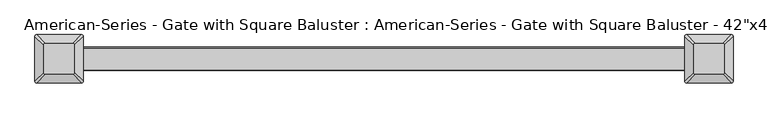
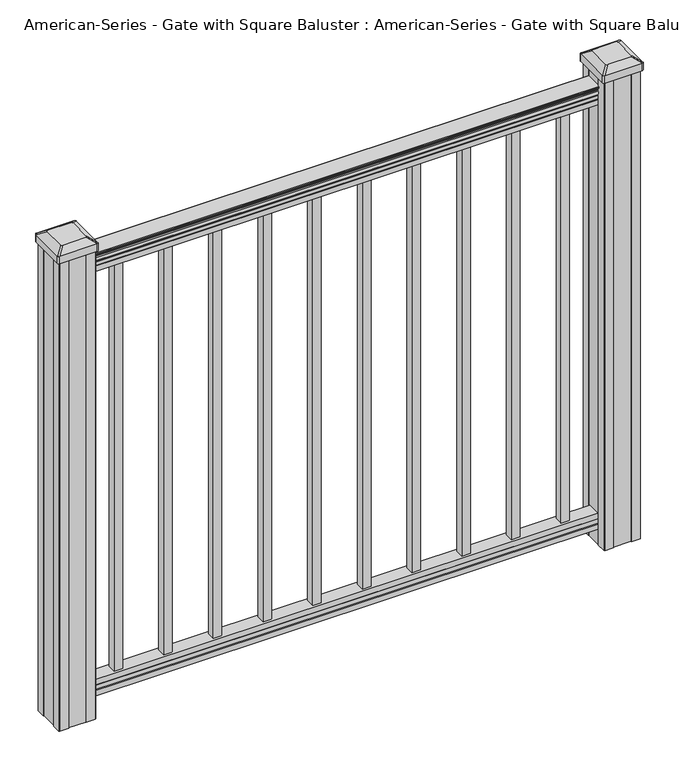
"""IFC4 building model written with IfcOpenShell, lengths in millimetres: proxy geometry."""

from ifc_helpers import new_model, si_unit, point, frame, frame_2d, origin, place, context, project, spatial, polyline, circle_curve, trimmed, segment, composite_curve, outline, extrude, source, transform, mapped, element, save
from ifc_brep_helpers import plane_surface, extruded_surface, advanced_brep


def proxy_e8b5caea(model_context):
    return source(origin(), model_context, "Body", "SolidModel", [
        extrude(outline(polyline([(398.4625, 9.525), (398.4625, -9.525), (379.4125, -9.525), (379.4125, 9.525), (398.4625, 9.525)])), frame((0.0, 0.0, 101.6), z_axis=(0.0, 0.0, 1.0), x_axis=(1.0, 0.0, 0.0)), (0.0, 0.0, 1.0), 965.2),
        extrude(outline(polyline([(287.3375, 9.525), (287.3375, -9.525), (268.2875, -9.525), (268.2875, 9.525), (287.3375, 9.525)])), frame((0.0, 0.0, 101.6), z_axis=(0.0, 0.0, 1.0), x_axis=(1.0, 0.0, 0.0)), (0.0, 0.0, 1.0), 965.2),
        extrude(outline(polyline([(176.2125, 9.525), (176.2125, -9.525), (157.1625, -9.525), (157.1625, 9.525), (176.2125, 9.525)])), frame((0.0, 0.0, 101.6), z_axis=(0.0, 0.0, 1.0), x_axis=(1.0, 0.0, 0.0)), (0.0, 0.0, 1.0), 965.2),
        extrude(outline(polyline([(65.0875, 9.525), (65.0875, -9.525), (46.0375, -9.525), (46.0375, 9.525), (65.0875, 9.525)])), frame((0.0, 0.0, 101.6), z_axis=(0.0, 0.0, 1.0), x_axis=(1.0, 0.0, 0.0)), (0.0, 0.0, 1.0), 965.2),
        extrude(outline(composite_curve([segment(polyline([(1090.8043297, 17.4328287), (1092.692412, 17.4328287)]), True, "CONTINUOUS"), segment(trimmed(circle_curve(frame_2d((1098.4506383, 11.1180755)), 8.545951), [point((1092.692412, 17.4328287))], [point((1094.2546695, 18.563015))], False, "CARTESIAN"), True, "CONTINUOUS"), segment(trimmed(circle_curve(frame_2d((1097.8636577, 11.5551384)), 7.882584), [point((1094.2546695, 18.563015))], [point((1101.4726458, 18.563015))], False, "CARTESIAN"), True, "CONTINUOUS"), segment(trimmed(circle_curve(frame_2d((1103.7112527, 22.0684625)), 4.1592695), [point((1101.4726458, 18.563015))], [point((1103.9060812, 17.9137586))], True, "CARTESIAN"), True, "CONTINUOUS"), segment(trimmed(circle_curve(frame_2d((1103.6508864, 23.3557691)), 5.4479907), [point((1103.9060812, 17.9137586))], [point((1108.2362083, 20.4137586))], True, "CARTESIAN"), True, "CONTINUOUS"), segment(trimmed(circle_curve(frame_2d((1108.233395, 22.1226107)), 1.7088543), [point((1108.2362083, 20.4137586))], [point((1109.9157972, 21.8231011))], True, "CARTESIAN"), True, "CONTINUOUS"), segment(trimmed(circle_curve(frame_2d((1111.0205318, 20.5057106)), 1.7192895), [point((1109.9157972, 21.8231011))], [point((1111.0205318, 22.2250001))], False, "CARTESIAN"), True, "CONTINUOUS"), segment(polyline([(1111.0205318, 22.2250001), (1112.3608158, 22.225)]), True, "CONTINUOUS"), segment(trimmed(circle_curve(frame_2d((1112.3608158, 20.6715528)), 1.5534472), [point((1112.3608158, 22.225))], [point((1113.914263, 20.6715528))], False, "CARTESIAN"), True, "CONTINUOUS"), segment(polyline([(1113.914263, 20.6715528), (1113.914263, -20.6715528)]), True, "CONTINUOUS"), segment(trimmed(circle_curve(frame_2d((1112.3608158, -20.6715528)), 1.5534472), [point((1113.914263, -20.6715528))], [point((1112.3608158, -22.225))], False, "CARTESIAN"), True, "CONTINUOUS"), segment(polyline([(1112.3608158, -22.225), (1111.0205318, -22.225)]), True, "CONTINUOUS"), segment(trimmed(circle_curve(frame_2d((1111.0205318, -20.5057106)), 1.7192895), [point((1111.0205318, -22.225))], [point((1109.9157972, -21.8231011))], False, "CARTESIAN"), True, "CONTINUOUS"), segment(trimmed(circle_curve(frame_2d((1108.233395, -22.1226107)), 1.7088543), [point((1109.9157972, -21.8231011))], [point((1108.2362083, -20.4137586))], True, "CARTESIAN"), True, "CONTINUOUS"), segment(trimmed(circle_curve(frame_2d((1103.6508864, -23.3557691)), 5.4479907), [point((1108.2362083, -20.4137586))], [point((1103.9060812, -17.9137586))], True, "CARTESIAN"), True, "CONTINUOUS"), segment(trimmed(circle_curve(frame_2d((1103.7112527, -22.0684625)), 4.1592695), [point((1103.9060812, -17.9137586))], [point((1101.4726458, -18.563015))], True, "CARTESIAN"), True, "CONTINUOUS"), segment(trimmed(circle_curve(frame_2d((1097.8636577, -11.5551384)), 7.882584), [point((1101.4726458, -18.563015))], [point((1094.2546695, -18.563015))], False, "CARTESIAN"), True, "CONTINUOUS"), segment(trimmed(circle_curve(frame_2d((1098.4506383, -11.1180755)), 8.545951), [point((1094.2546695, -18.563015))], [point((1092.692412, -17.4328287))], False, "CARTESIAN"), True, "CONTINUOUS"), segment(polyline([(1092.692412, -17.4328287), (1090.8043297, -17.4328287)]), True, "CONTINUOUS"), segment(trimmed(circle_curve(frame_2d((1090.8043297, -16.1459144)), 1.2869144), [point((1090.8043297, -17.4328287))], [point((1090.8043297, -14.859))], False, "CARTESIAN"), True, "CONTINUOUS"), segment(polyline([(1090.8043297, -14.859), (1080.3048283, -14.859), (1079.2888283, -15.875), (1066.8, -15.875), (1066.8, 15.875), (1079.131013, 15.875), (1080.147013, 14.859), (1090.8043297, 14.859)]), True, "CONTINUOUS"), segment(trimmed(circle_curve(frame_2d((1090.8043297, 16.1459144)), 1.2869144), [point((1090.8043297, 14.859))], [point((1090.8043297, 17.4328287))], False, "CARTESIAN"), True, "CONTINUOUS")], self_intersect=False)), frame((609.6, 0.0, 0.0), z_axis=(-1.0, 0.0, 0.0), x_axis=(0.0, 0.0, 1.0)), (0.0, 0.0, 1.0), 1219.2),
        extrude(outline(polyline([(-15.9124869, 76.0541976), (-14.8964869, 77.3546183), (-14.8964869, 87.7141717), (-15.9124869, 89.0624492), (-15.9124869, 101.5958781), (15.8375131, 101.5958781), (15.8375131, 89.0458024), (14.8215131, 87.6975248), (14.8215131, 77.3858283), (15.8375131, 76.0375508), (15.8375131, 63.5), (-15.9124869, 63.5), (-15.9124869, 76.0541976)])), frame((-609.6, 0.0, 0.0), z_axis=(1.0, 0.0, 0.0), x_axis=(0.0, 1.0, 0.0)), (0.0, 0.0, 1.0), 1219.2),
        advanced_brep(
        [(583.803125, 28.971875, 1165.225), (580.628125, 25.796875, 1165.225), (580.628125, -25.796875, 1165.225), (583.803125, -28.971875, 1165.225), (635.396875, -28.971875, 1165.225), (638.571875, -25.796875, 1165.225), (638.571875, 25.796875, 1165.225), (635.396875, 28.971875, 1165.225), (567.53125, 45.24375, 1153.922), (651.66875, 45.24375, 1153.922), (654.84375, 42.06875, 1153.922), (654.84375, -42.06875, 1153.922), (651.66875, -45.24375, 1153.922), (567.53125, -45.24375, 1153.922), (564.35625, -42.06875, 1153.922), (564.35625, 42.06875, 1153.922)],
        [
            (0, 1, circle_curve(frame((583.803125, 25.796875, 1165.225), z_axis=(0.0, 0.0, 1.0), x_axis=(0.0, -1.0, 0.0)), 3.175)),
            (1, 2),
            (2, 3, circle_curve(frame((583.803125, -25.796875, 1165.225), z_axis=(0.0, 0.0, 1.0), x_axis=(0.0, -1.0, 0.0)), 3.175)),
            (3, 4),
            (4, 5, circle_curve(frame((635.396875, -25.796875, 1165.225), z_axis=(0.0, 0.0, 1.0), x_axis=(0.0, -1.0, 0.0)), 3.175)),
            (5, 6),
            (6, 7, circle_curve(frame((635.396875, 25.796875, 1165.225), z_axis=(0.0, 0.0, 1.0), x_axis=(0.0, -1.0, 0.0)), 3.175)),
            (7, 0),
            (8, 9),
            (9, 10, circle_curve(frame((651.66875, 42.06875, 1153.922), z_axis=(0.0, 0.0, -1.0), x_axis=(0.0, -1.0, 0.0)), 3.175)),
            (10, 11),
            (11, 12, circle_curve(frame((651.66875, -42.06875, 1153.922), z_axis=(0.0, 0.0, -1.0), x_axis=(0.0, -1.0, 0.0)), 3.175)),
            (12, 13),
            (13, 14, circle_curve(frame((567.53125, -42.06875, 1153.922), z_axis=(0.0, 0.0, -1.0), x_axis=(0.0, -1.0, 0.0)), 3.175)),
            (14, 15),
            (15, 8, circle_curve(frame((567.53125, 42.06875, 1153.922), z_axis=(0.0, 0.0, -1.0), x_axis=(0.0, -1.0, 0.0)), 3.175)),
            (15, 1),
            (0, 8),
            (14, 2),
            (13, 3),
            (12, 4),
            (11, 5),
            (10, 6),
            (9, 7),
        ],
        [
            plane_surface(frame((609.6, 0.0, 1165.225), z_axis=(0.0, 0.0, 1.0), x_axis=(-1.0, 0.0, 0.0))),
            plane_surface(frame((609.6, 0.0, 1153.922), z_axis=(0.0, 0.0, -1.0), x_axis=(-1.0, 0.0, 0.0))),
            extruded_surface(trimmed(circle_curve(frame((567.53125, 42.06875, 1153.922), z_axis=(0.0, 0.0, 1.0), x_axis=(0.0, -1.0, 0.0)), 3.175), [point((567.53125, 45.24375, 1153.922))], [point((564.35625, 42.06875, 1153.922))], True, "CARTESIAN"), (16.271875000000023, -16.271875, 11.302999999999884), 25.637972638866128),
            plane_surface(frame((564.35625, 0.0, 1153.922), z_axis=(-0.5705009161540777, 0.0, 0.8212969649690409), x_axis=(0.0, -1.0, 0.0))),
            extruded_surface(trimmed(circle_curve(frame((567.53125, -42.06875, 1153.922), z_axis=(0.0, 0.0, 1.0), x_axis=(0.0, -1.0, 0.0)), 3.175), [point((564.35625, -42.06875, 1153.922))], [point((567.53125, -45.24375, 1153.922))], True, "CARTESIAN"), (16.271875000000023, 16.271875, 11.302999999999884), 25.637972638866128),
            plane_surface(frame((609.6, -45.24375, 1153.922), z_axis=(0.0, -0.5705009161540291, 0.8212969649690747), x_axis=(1.0, 0.0, 0.0))),
            extruded_surface(trimmed(circle_curve(frame((651.66875, -42.06875, 1153.922), z_axis=(0.0, 0.0, 1.0), x_axis=(0.0, -1.0, 0.0)), 3.175), [point((651.66875, -45.24375, 1153.922))], [point((654.84375, -42.06875, 1153.922))], True, "CARTESIAN"), (-16.271875000000023, 16.271875, 11.302999999999884), 25.637972638866128),
            plane_surface(frame((654.84375, 0.0, 1153.922), z_axis=(0.5705009161540143, 0.0, 0.821296964969085), x_axis=(0.0, 1.0, 0.0))),
            extruded_surface(trimmed(circle_curve(frame((651.66875, 42.06875, 1153.922), z_axis=(0.0, 0.0, 1.0), x_axis=(0.0, -1.0, 0.0)), 3.175), [point((654.84375, 42.06875, 1153.922))], [point((651.66875, 45.24375, 1153.922))], True, "CARTESIAN"), (-16.271875000000023, -16.271875, 11.302999999999884), 25.637972638866128),
            plane_surface(frame((609.6, 45.24375, 1153.922), z_axis=(0.0, 0.570500916154034, 0.8212969649690713), x_axis=(-1.0, 0.0, 0.0))),
        ],
        [
            (0, [[1, 2, 3, 4, 5, 6, 7, 8]]),
            (1, [[9, 10, 11, 12, 13, 14, 15, 16]]),
            (2, [[-16, 17, -1, 18]]),
            (3, [[-15, 19, -2, -17]]),
            (4, [[-14, 20, -3, -19]]),
            (5, [[-13, 21, -4, -20]]),
            (6, [[-12, 22, -5, -21]]),
            (7, [[-11, 23, -6, -22]]),
            (8, [[-10, 24, -7, -23]]),
            (9, [[-9, -18, -8, -24]]),
        ],
    ),
        extrude(outline(composite_curve([segment(polyline([(567.53125, 45.24375), (651.66875, 45.24375)]), True, "CONTINUOUS"), segment(trimmed(circle_curve(frame_2d((651.66875, 42.06875)), 3.175), [point((651.66875, 45.24375))], [point((654.84375, 42.06875))], False, "CARTESIAN"), True, "CONTINUOUS"), segment(polyline([(654.84375, 42.06875), (654.84375, -42.06875)]), True, "CONTINUOUS"), segment(trimmed(circle_curve(frame_2d((651.66875, -42.06875)), 3.175), [point((654.84375, -42.06875))], [point((651.66875, -45.24375))], False, "CARTESIAN"), True, "CONTINUOUS"), segment(polyline([(651.66875, -45.24375), (567.53125, -45.24375)]), True, "CONTINUOUS"), segment(trimmed(circle_curve(frame_2d((567.53125, -42.06875)), 3.175), [point((567.53125, -45.24375))], [point((564.35625, -42.06875))], False, "CARTESIAN"), True, "CONTINUOUS"), segment(polyline([(564.35625, -42.06875), (564.35625, 42.06875)]), True, "CONTINUOUS"), segment(trimmed(circle_curve(frame_2d((567.53125, 42.06875)), 3.175), [point((564.35625, 42.06875))], [point((567.53125, 45.24375))], False, "CARTESIAN"), True, "CONTINUOUS")], self_intersect=False)), frame((0.0, 0.0, 1136.65), z_axis=(0.0, 0.0, 1.0), x_axis=(1.0, 0.0, 0.0)), (0.0, 0.0, 1.0), 17.272),
        extrude(outline(polyline([(569.9125, 41.275), (589.534, 41.275), (590.296, 39.6875), (628.904, 39.6875), (629.666, 41.275), (649.2875, 41.275), (650.875, 39.6875), (650.875, 20.066), (649.2875, 19.304), (649.2875, -19.304), (650.875, -20.066), (650.875, -39.6875), (649.2875, -41.275), (629.666, -41.275), (628.904, -39.6875), (590.296, -39.6875), (589.534, -41.275), (569.9125, -41.275), (568.325, -39.6875), (568.325, -20.066), (569.9125, -19.304), (569.9125, 19.304), (568.325, 20.066), (568.325, 39.6875), (569.9125, 41.275)])), frame((0.0, 0.0, 28.575), z_axis=(0.0, 0.0, 1.0), x_axis=(1.0, 0.0, 0.0)), (0.0, 0.0, 1.0), 1108.075),
        advanced_brep(
        [(-635.396875, 28.971875, 1165.225), (-638.571875, 25.796875, 1165.225), (-638.571875, -25.796875, 1165.225), (-635.396875, -28.971875, 1165.225), (-583.803125, -28.971875, 1165.225), (-580.628125, -25.796875, 1165.225), (-580.628125, 25.796875, 1165.225), (-583.803125, 28.971875, 1165.225), (-651.66875, 45.24375, 1153.922), (-567.53125, 45.24375, 1153.922), (-564.35625, 42.06875, 1153.922), (-564.35625, -42.06875, 1153.922), (-567.53125, -45.24375, 1153.922), (-651.66875, -45.24375, 1153.922), (-654.84375, -42.06875, 1153.922), (-654.84375, 42.06875, 1153.922)],
        [
            (0, 1, circle_curve(frame((-635.396875, 25.796875, 1165.225), z_axis=(0.0, 0.0, 1.0), x_axis=(0.0, -1.0, 0.0)), 3.175)),
            (1, 2),
            (2, 3, circle_curve(frame((-635.396875, -25.796875, 1165.225), z_axis=(0.0, 0.0, 1.0), x_axis=(0.0, -1.0, 0.0)), 3.175)),
            (3, 4),
            (4, 5, circle_curve(frame((-583.803125, -25.796875, 1165.225), z_axis=(0.0, 0.0, 1.0), x_axis=(0.0, -1.0, 0.0)), 3.175)),
            (5, 6),
            (6, 7, circle_curve(frame((-583.803125, 25.796875, 1165.225), z_axis=(0.0, 0.0, 1.0), x_axis=(0.0, -1.0, 0.0)), 3.175)),
            (7, 0),
            (8, 9),
            (9, 10, circle_curve(frame((-567.53125, 42.06875, 1153.922), z_axis=(0.0, 0.0, -1.0), x_axis=(0.0, -1.0, 0.0)), 3.175)),
            (10, 11),
            (11, 12, circle_curve(frame((-567.53125, -42.06875, 1153.922), z_axis=(0.0, 0.0, -1.0), x_axis=(0.0, -1.0, 0.0)), 3.175)),
            (12, 13),
            (13, 14, circle_curve(frame((-651.66875, -42.06875, 1153.922), z_axis=(0.0, 0.0, -1.0), x_axis=(0.0, -1.0, 0.0)), 3.175)),
            (14, 15),
            (15, 8, circle_curve(frame((-651.66875, 42.06875, 1153.922), z_axis=(0.0, 0.0, -1.0), x_axis=(0.0, -1.0, 0.0)), 3.175)),
            (15, 1),
            (0, 8),
            (14, 2),
            (13, 3),
            (12, 4),
            (11, 5),
            (10, 6),
            (9, 7),
        ],
        [
            plane_surface(frame((-609.6, 0.0, 1165.225), z_axis=(0.0, 0.0, 1.0), x_axis=(-1.0, 0.0, 0.0))),
            plane_surface(frame((-609.6, 0.0, 1153.922), z_axis=(0.0, 0.0, -1.0), x_axis=(-1.0, 0.0, 0.0))),
            extruded_surface(trimmed(circle_curve(frame((-651.66875, 42.06875, 1153.922), z_axis=(0.0, 0.0, 1.0), x_axis=(0.0, -1.0, 0.0)), 3.175), [point((-651.66875, 45.24375, 1153.922))], [point((-654.84375, 42.06875, 1153.922))], True, "CARTESIAN"), (16.271875000000023, -16.271875, 11.302999999999884), 25.637972638866128),
            plane_surface(frame((-654.84375, 0.0, 1153.922), z_axis=(-0.5705009161540777, 0.0, 0.8212969649690409), x_axis=(0.0, -1.0, 0.0))),
            extruded_surface(trimmed(circle_curve(frame((-651.66875, -42.06875, 1153.922), z_axis=(0.0, 0.0, 1.0), x_axis=(0.0, -1.0, 0.0)), 3.175), [point((-654.84375, -42.06875, 1153.922))], [point((-651.66875, -45.24375, 1153.922))], True, "CARTESIAN"), (16.271875000000023, 16.271875, 11.302999999999884), 25.637972638866128),
            plane_surface(frame((-609.6, -45.24375, 1153.922), z_axis=(0.0, -0.5705009161540291, 0.8212969649690747), x_axis=(1.0, 0.0, 0.0))),
            extruded_surface(trimmed(circle_curve(frame((-567.53125, -42.06875, 1153.922), z_axis=(0.0, 0.0, 1.0), x_axis=(0.0, -1.0, 0.0)), 3.175), [point((-567.53125, -45.24375, 1153.922))], [point((-564.35625, -42.06875, 1153.922))], True, "CARTESIAN"), (-16.271875000000023, 16.271875, 11.302999999999884), 25.637972638866128),
            plane_surface(frame((-564.35625, 0.0, 1153.922), z_axis=(0.5705009161540143, 0.0, 0.821296964969085), x_axis=(0.0, 1.0, 0.0))),
            extruded_surface(trimmed(circle_curve(frame((-567.53125, 42.06875, 1153.922), z_axis=(0.0, 0.0, 1.0), x_axis=(0.0, -1.0, 0.0)), 3.175), [point((-564.35625, 42.06875, 1153.922))], [point((-567.53125, 45.24375, 1153.922))], True, "CARTESIAN"), (-16.271875000000023, -16.271875, 11.302999999999884), 25.637972638866128),
            plane_surface(frame((-609.6, 45.24375, 1153.922), z_axis=(0.0, 0.570500916154034, 0.8212969649690713), x_axis=(-1.0, 0.0, 0.0))),
        ],
        [
            (0, [[1, 2, 3, 4, 5, 6, 7, 8]]),
            (1, [[9, 10, 11, 12, 13, 14, 15, 16]]),
            (2, [[-16, 17, -1, 18]]),
            (3, [[-15, 19, -2, -17]]),
            (4, [[-14, 20, -3, -19]]),
            (5, [[-13, 21, -4, -20]]),
            (6, [[-12, 22, -5, -21]]),
            (7, [[-11, 23, -6, -22]]),
            (8, [[-10, 24, -7, -23]]),
            (9, [[-9, -18, -8, -24]]),
        ],
    ),
        extrude(outline(composite_curve([segment(polyline([(-651.66875, 45.24375), (-567.53125, 45.24375)]), True, "CONTINUOUS"), segment(trimmed(circle_curve(frame_2d((-567.53125, 42.06875)), 3.175), [point((-567.53125, 45.24375))], [point((-564.35625, 42.06875))], False, "CARTESIAN"), True, "CONTINUOUS"), segment(polyline([(-564.35625, 42.06875), (-564.35625, -42.06875)]), True, "CONTINUOUS"), segment(trimmed(circle_curve(frame_2d((-567.53125, -42.06875)), 3.175), [point((-564.35625, -42.06875))], [point((-567.53125, -45.24375))], False, "CARTESIAN"), True, "CONTINUOUS"), segment(polyline([(-567.53125, -45.24375), (-651.66875, -45.24375)]), True, "CONTINUOUS"), segment(trimmed(circle_curve(frame_2d((-651.66875, -42.06875)), 3.175), [point((-651.66875, -45.24375))], [point((-654.84375, -42.06875))], False, "CARTESIAN"), True, "CONTINUOUS"), segment(polyline([(-654.84375, -42.06875), (-654.84375, 42.06875)]), True, "CONTINUOUS"), segment(trimmed(circle_curve(frame_2d((-651.66875, 42.06875)), 3.175), [point((-654.84375, 42.06875))], [point((-651.66875, 45.24375))], False, "CARTESIAN"), True, "CONTINUOUS")], self_intersect=False)), frame((0.0, 0.0, 1136.65), z_axis=(0.0, 0.0, 1.0), x_axis=(1.0, 0.0, 0.0)), (0.0, 0.0, 1.0), 17.272),
        extrude(outline(polyline([(-649.2875, 41.275), (-629.666, 41.275), (-628.904, 39.6875), (-590.296, 39.6875), (-589.534, 41.275), (-569.9125, 41.275), (-568.325, 39.6875), (-568.325, 20.066), (-569.9125, 19.304), (-569.9125, -19.304), (-568.325, -20.066), (-568.325, -39.6875), (-569.9125, -41.275), (-589.534, -41.275), (-590.296, -39.6875), (-628.904, -39.6875), (-629.666, -41.275), (-649.2875, -41.275), (-650.875, -39.6875), (-650.875, -20.066), (-649.2875, -19.304), (-649.2875, 19.304), (-650.875, 20.066), (-650.875, 39.6875), (-649.2875, 41.275)])), frame((0.0, 0.0, 28.575), z_axis=(0.0, 0.0, 1.0), x_axis=(1.0, 0.0, 0.0)), (0.0, 0.0, 1.0), 1108.075),
        extrude(outline(polyline([(-46.0375, 9.525), (-46.0375, -9.525), (-65.0875, -9.525), (-65.0875, 9.525), (-46.0375, 9.525)])), frame((0.0, 0.0, 101.6), z_axis=(0.0, 0.0, 1.0), x_axis=(1.0, 0.0, 0.0)), (0.0, 0.0, 1.0), 965.2),
        extrude(outline(polyline([(-157.1625, 9.525), (-157.1625, -9.525), (-176.2125, -9.525), (-176.2125, 9.525), (-157.1625, 9.525)])), frame((0.0, 0.0, 101.6), z_axis=(0.0, 0.0, 1.0), x_axis=(1.0, 0.0, 0.0)), (0.0, 0.0, 1.0), 965.2),
        extrude(outline(polyline([(-268.2875, 9.525), (-268.2875, -9.525), (-287.3375, -9.525), (-287.3375, 9.525), (-268.2875, 9.525)])), frame((0.0, 0.0, 101.6), z_axis=(0.0, 0.0, 1.0), x_axis=(1.0, 0.0, 0.0)), (0.0, 0.0, 1.0), 965.2),
        extrude(outline(polyline([(-379.4125, 9.525), (-379.4125, -9.525), (-398.4625, -9.525), (-398.4625, 9.525), (-379.4125, 9.525)])), frame((0.0, 0.0, 101.6), z_axis=(0.0, 0.0, 1.0), x_axis=(1.0, 0.0, 0.0)), (0.0, 0.0, 1.0), 965.2),
        extrude(outline(polyline([(509.5875, 9.525), (509.5875, -9.525), (490.5375, -9.525), (490.5375, 9.525), (509.5875, 9.525)])), frame((0.0, 0.0, 101.6), z_axis=(0.0, 0.0, 1.0), x_axis=(1.0, 0.0, 0.0)), (0.0, 0.0, 1.0), 965.2),
        extrude(outline(polyline([(-490.5375, 9.525), (-490.5375, -9.525), (-509.5875, -9.525), (-509.5875, 9.525), (-490.5375, 9.525)])), frame((0.0, 0.0, 101.6), z_axis=(0.0, 0.0, 1.0), x_axis=(1.0, 0.0, 0.0)), (0.0, 0.0, 1.0), 965.2),
    ])


if __name__ == "__main__":
    model = new_model("IFC4")
    model_context = context("Model", 3, world=origin())
    ifc_project = project(units=[si_unit("LENGTHUNIT", "METRE", prefix="MILLI")], contexts=[model_context])
    site = spatial("IfcSite", under=ifc_project)
    building = spatial("IfcBuilding", under=site)
    placement = place(None, origin())
    proxy_shape = proxy_e8b5caea(model_context)
    element("IfcBuildingElementProxy", 1, Name="American-Series - Gate with Square Baluster : American-Series - Gate with Square Baluster - 42\"x48\"", ObjectType="American-Series - Gate with Square Baluster : American-Series - Gate with Square Baluster - 42\"x48\"", at=placement, inside=building, context=model_context, shape_type="MappedRepresentation", body=[
        mapped(proxy_shape, transform((0.0, 0.0, 0.0), x_axis=(1.0, 0.0, 0.0), y_axis=(0.0, 1.0, 0.0), z_axis=(0.0, 0.0, 1.0))),
    ])
    save(model, "model.ifc")
